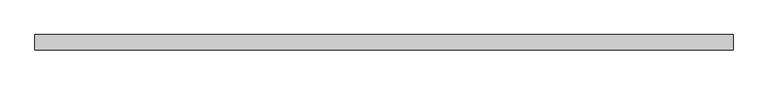
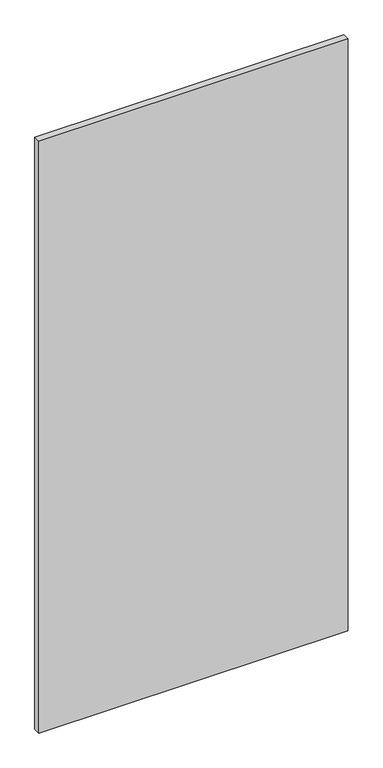
"""IFC4 building model written with IfcOpenShell, lengths in millimetres: plate geometry."""

from ifc_helpers import new_model, si_unit, origin, origin_with_axes, place, context, project, spatial, polyline, outline, extrude, source, transform, mapped, element, save


def plate_80df4607(model_context):
    return source(origin(), model_context, "Body", "SweptSolid", [
        extrude(outline(polyline([(575.0090001, 24.5), (-575.0090001, 24.5), (-575.0090001, 49.5), (575.0090001, 49.5), (575.0090001, 24.5)])), origin_with_axes(), (0.0, 0.0, 1.0), 2325.0),
    ])


if __name__ == "__main__":
    model = new_model("IFC4")
    model_context = context("Model", 3, world=origin())
    ifc_project = project(units=[si_unit("LENGTHUNIT", "METRE", prefix="MILLI")], contexts=[model_context])
    site = spatial("IfcSite", under=ifc_project)
    building = spatial("IfcBuilding", under=site)
    placement = place(None, origin())
    plate_shape = plate_80df4607(model_context)
    element("IfcPlate", 1, at=placement, inside=building, context=model_context, shape_type="MappedRepresentation", body=[
        mapped(plate_shape, transform((0.0, 0.0, 0.0), x_axis=(1.0, 0.0, 0.0), y_axis=(0.0, 1.0, 0.0), z_axis=(0.0, 0.0, 1.0))),
    ])
    save(model, "model.ifc")
